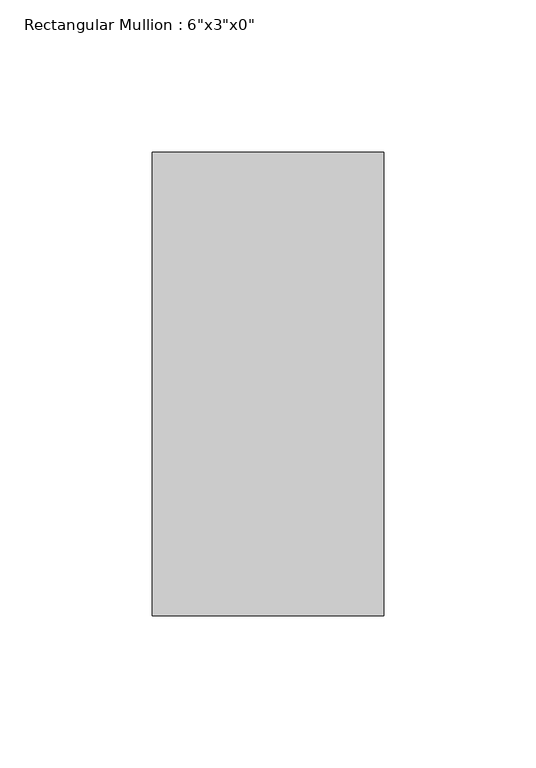
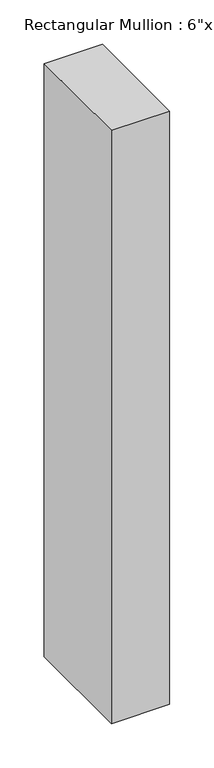
"""IFC4 building model written with IfcOpenShell, lengths in millimetres: member geometry."""

import ifcopenshell
import ifcopenshell.guid

model = None  # the IFC model being written
_history = None  # IfcOwnerHistory: only IFC2X3 demands one
_inside = {}  # id of a spatial element -> (the spatial element, [elements in it])
_under = {}  # id of a project, library or spatial element -> (it, [spatial elements below it])
_declared = {}  # id of a project -> (the project, [libraries it declares])
_typed = {}  # id of a type object -> (the type object, [elements of that type])
_made_of = {}  # id of a material, layer set ... -> (it, [elements and type objects made of it])


def new_model(schema):
    """Start an empty IFC model of exactly this schema.

    Asked for "IFC4X3", IfcOpenShell would pick the latest addendum, in which some entities
    have other attributes; the version numbers below select the first issue.
    IFC2X3 requires an IfcOwnerHistory on every rooted entity: one is made here for all.
    """
    global model, _history
    if schema == "IFC4X3":
        model = ifcopenshell.file(schema_version=(4, 3, 0, 0))
    else:
        model = ifcopenshell.file(schema=schema)
    _inside.clear()
    _under.clear()
    _declared.clear()
    _typed.clear()
    _made_of.clear()
    _history = None
    if model.schema == "IFC2X3":
        org = make("IfcOrganization", Name="unknown")
        user = make(
            "IfcPersonAndOrganization",
            ThePerson=make("IfcPerson", FamilyName="unknown"),
            TheOrganization=org,
        )
        app = make(
            "IfcApplication",
            ApplicationDeveloper=org,
            Version="unknown",
            ApplicationFullName="unknown",
            ApplicationIdentifier="unknown",
        )
        _history = make(
            "IfcOwnerHistory",
            OwningUser=user,
            OwningApplication=app,
            ChangeAction="ADDED",
            CreationDate=0,
        )
    return model


def make(cls, **values):
    """One entity of the class cls with the attributes given. An attribute that is None is left unset."""
    return model.create_entity(
        cls, **{name: value for name, value in values.items() if value is not None}
    )


def rooted(cls, **values):
    """An entity with a GlobalId (a new one), such as an element, a storey or a relation."""
    return make(cls, GlobalId=ifcopenshell.guid.new(), OwnerHistory=_history, **values)


def si_unit(unit_type, name, prefix=None):
    """IfcSIUnit, for example si_unit("LENGTHUNIT", "METRE", prefix="MILLI")."""
    return make("IfcSIUnit", UnitType=unit_type, Prefix=prefix, Name=name)


def assignment(units):
    """IfcUnitAssignment: the units of a project."""
    return None if units is None else make("IfcUnitAssignment", Units=units)


def point(xyz):
    """IfcCartesianPoint."""
    return None if xyz is None else make("IfcCartesianPoint", Coordinates=xyz)


def direction(xyz):
    """IfcDirection."""
    return None if xyz is None else make("IfcDirection", DirectionRatios=xyz)


def frame(location, z_axis=None, x_axis=None):
    """IfcAxis2Placement3D, a coordinate frame: its origin and axes. An axis left out is left unset."""
    return make(
        "IfcAxis2Placement3D",
        Location=point(location),
        Axis=direction(z_axis),
        RefDirection=direction(x_axis),
    )


def origin():
    """The frame at (0, 0, 0) with its axes left unset."""
    return frame((0.0, 0.0, 0.0))


def place(relative_to, where):
    """IfcLocalPlacement: puts the frame where relative to a parent placement (None: the world)."""
    return make(
        "IfcLocalPlacement", PlacementRelTo=relative_to, RelativePlacement=where
    )


def context(
    kind, dimensions, precision=None, world=None, true_north=None, identifier=None
):
    """IfcGeometricRepresentationContext, for example the 3D "Model" context."""
    return make(
        "IfcGeometricRepresentationContext",
        ContextIdentifier=identifier,
        ContextType=kind,
        CoordinateSpaceDimension=dimensions,
        Precision=precision,
        WorldCoordinateSystem=world,
        TrueNorth=true_north,
    )


def project(units=None, contexts=None):
    """IfcProject with its units and contexts."""
    return rooted(
        "IfcProject",
        Name="project",
        RepresentationContexts=contexts,
        UnitsInContext=assignment(units),
    )


def spatial(cls, under=None, at=None, **own):
    """A site, building, storey or space (cls), placed at a placement, below another one or the project."""
    s = rooted(cls, ObjectPlacement=at, **own)
    if under is not None:
        _under.setdefault(under.id(), (under, []))[1].append(s)
    return s


def polyline(points):
    """IfcPolyline through the points."""
    return make("IfcPolyline", Points=[point(p) for p in points])


def outline(outer, holes=None, kind="AREA"):
    """IfcArbitraryClosedProfileDef: a profile drawn as a closed curve; with holes, ...WithVoids."""
    if holes is None:
        return make("IfcArbitraryClosedProfileDef", ProfileType=kind, OuterCurve=outer)
    return make(
        "IfcArbitraryProfileDefWithVoids",
        ProfileType=kind,
        OuterCurve=outer,
        InnerCurves=holes,
    )


def extrude(swept, where, along, depth):
    """IfcExtrudedAreaSolid: the profile swept, set in the frame where, extruded along a direction by depth."""
    return make(
        "IfcExtrudedAreaSolid",
        SweptArea=swept,
        Position=where,
        ExtrudedDirection=direction(along),
        Depth=depth,
    )


def shape(context_of_items, identifier, shape_type, items):
    """IfcShapeRepresentation: the items that make up one representation, for example the "Body"."""
    return make(
        "IfcShapeRepresentation",
        ContextOfItems=context_of_items,
        RepresentationIdentifier=identifier,
        RepresentationType=shape_type,
        Items=items,
    )


def source(mapping_origin, context_of_items, identifier, shape_type, items):
    """IfcRepresentationMap: a shape defined once, which mapped items show again and again."""
    return make(
        "IfcRepresentationMap",
        MappingOrigin=mapping_origin,
        MappedRepresentation=shape(context_of_items, identifier, shape_type, items),
    )


def transform(
    local_origin,
    x_axis=None,
    y_axis=None,
    z_axis=None,
    scale=None,
    scale2=None,
    scale3=None,
    uniform=True,
):
    """IfcCartesianTransformationOperator3D, or its non-uniform kind. x_axis, y_axis, z_axis: its Axis1, 2, 3."""
    if uniform:
        return make(
            "IfcCartesianTransformationOperator3D",
            Axis1=direction(x_axis),
            Axis2=direction(y_axis),
            LocalOrigin=point(local_origin),
            Scale=scale,
            Axis3=direction(z_axis),
        )
    return make(
        "IfcCartesianTransformationOperator3DnonUniform",
        Axis1=direction(x_axis),
        Axis2=direction(y_axis),
        LocalOrigin=point(local_origin),
        Scale=scale,
        Axis3=direction(z_axis),
        Scale2=scale2,
        Scale3=scale3,
    )


def mapped(mapping_source, mapping_target):
    """IfcMappedItem: shows the shape of a source again, moved by a transform."""
    return make(
        "IfcMappedItem", MappingSource=mapping_source, MappingTarget=mapping_target
    )


def made_of(thing, what):
    """Note that an element or type object is made of a material, layer set ...; save() writes the relation."""
    if what is not None:
        _made_of.setdefault(what.id(), (what, []))[1].append(thing)
    return thing


def element(
    cls,
    number,
    at=None,
    inside=None,
    cuts=None,
    type_object=None,
    material=None,
    context=None,
    identifier="Body",
    shape_type=None,
    held_by="IfcProductDefinitionShape",
    body=None,
    shapes=None,
    **own,
):
    """One element of the class cls, such as IfcWall. Its Tag is "e" and its number.

    at: its placement. inside: the storey or other place that contains it. cuts: it is an
    opening in that element (IfcRelVoidsElement). A single representation is given by context,
    identifier, shape_type and body (its items); several are given by shapes. held_by: the class
    of the entity that holds the representations. save() writes the other relations.
    """
    e = rooted(cls, Tag="e%d" % number, ObjectPlacement=at, **own)
    if body is not None:
        shapes = [shape(context, identifier, shape_type, body)]
    if shapes is not None:
        e.Representation = make(held_by, Representations=shapes)
    if inside is not None:
        _inside.setdefault(inside.id(), (inside, []))[1].append(e)
    if cuts is not None:
        rooted(
            "IfcRelVoidsElement", RelatingBuildingElement=cuts, RelatedOpeningElement=e
        )
    if type_object is not None:
        _typed.setdefault(type_object.id(), (type_object, []))[1].append(e)
    return made_of(e, material)


def aggregate(whole, parts):
    """IfcRelAggregates: a whole, such as a stair, and the parts it consists of."""
    return rooted("IfcRelAggregates", RelatingObject=whole, RelatedObjects=parts)


def save(model, path):
    """Write the relations noted so far, then the file.

    IfcRelAggregates (storeys below a building ...), IfcRelContainedInSpatialStructure (elements
    in a storey), IfcRelDefinesByType, IfcRelAssociatesMaterial and IfcRelDeclares: one each for
    every whole, place, type object, material and project.
    """
    for whole, parts in _under.values():
        aggregate(whole, parts)
    for where, things in _inside.values():
        rooted(
            "IfcRelContainedInSpatialStructure",
            RelatedElements=things,
            RelatingStructure=where,
        )
    for kind, things in _typed.values():
        rooted("IfcRelDefinesByType", RelatedObjects=things, RelatingType=kind)
    for what, things in _made_of.values():
        rooted("IfcRelAssociatesMaterial", RelatedObjects=things, RelatingMaterial=what)
    for by, libraries in _declared.values():
        rooted("IfcRelDeclares", RelatingContext=by, RelatedDefinitions=libraries)
    model.write(path)


def member_9f4bb767(model_context):
    return source(origin(), model_context, "Body", "SweptSolid", [
        extrude(outline(polyline([(0.0, 76.2), (0.0, -76.2), (-76.2, -76.2), (-76.2, 76.2), (0.0, 76.2)])), frame((0.0, 0.0, -819.15), z_axis=(0.0, 0.0, 1.0), x_axis=(1.0, 0.0, 0.0)), (0.0, 0.0, 1.0), 819.15),
    ])


if __name__ == "__main__":
    model = new_model("IFC4")
    model_context = context("Model", 3, world=origin())
    ifc_project = project(units=[si_unit("LENGTHUNIT", "METRE", prefix="MILLI")], contexts=[model_context])
    site = spatial("IfcSite", under=ifc_project)
    building = spatial("IfcBuilding", under=site)
    placement = place(None, origin())
    member_shape = member_9f4bb767(model_context)
    element("IfcMember", 1, ObjectType="Rectangular Mullion : 6\"x3\"x0\"", at=placement, inside=building, context=model_context, shape_type="MappedRepresentation", body=[
        mapped(member_shape, transform((0.0, 0.0, 0.0), x_axis=(1.0, 0.0, 0.0), y_axis=(0.0, 1.0, 0.0), z_axis=(0.0, 0.0, 1.0))),
    ])
    save(model, "model.ifc")
